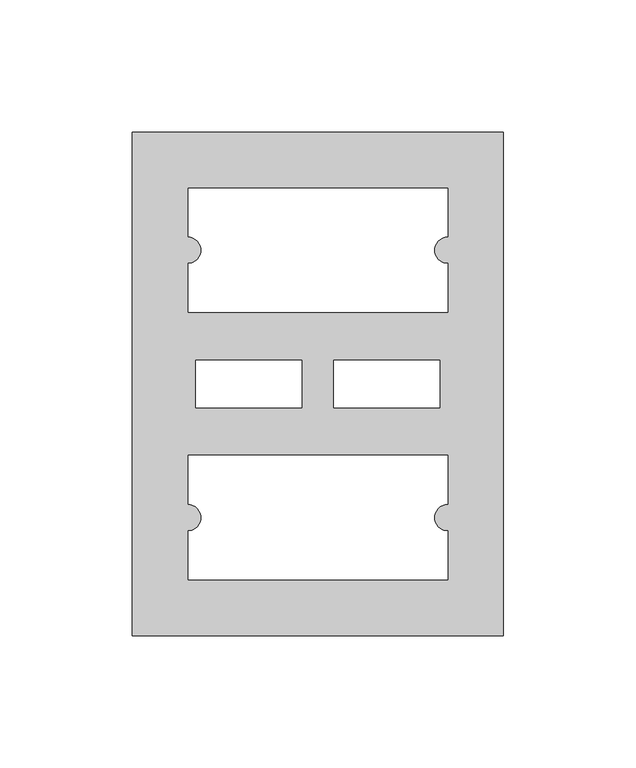
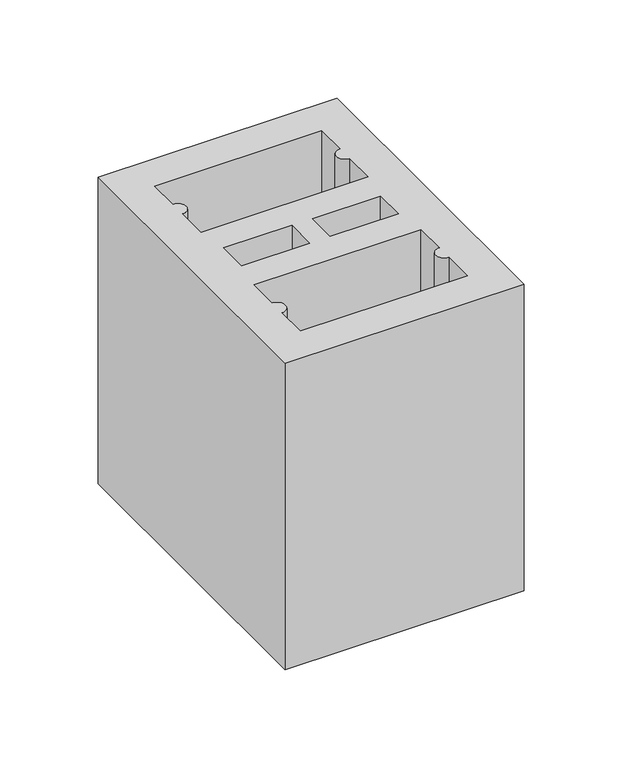
"""IFC4 building model written with IfcOpenShell, lengths in millimetres: proxy geometry."""

from ifc_helpers import new_model, si_unit, point, frame_2d, origin, origin_with_axes, place, context, project, spatial, polyline, circle_curve, trimmed, segment, composite_curve, outline, extrude, source, transform, mapped, element, save


def generic_models_142ee827(model_context):
    return source(origin(), model_context, "Body", "SweptSolid", [
        extrude(outline(polyline([(140.0, 0.0), (0.0, 0.0), (0.0, 190.0), (140.0, 190.0), (140.0, 0.0)]), holes=[polyline([(24.0, 104.0), (24.0, 86.0), (64.0, 86.0), (64.0, 104.0), (24.0, 104.0)]), polyline([(116.0, 104.0), (76.0, 104.0), (76.0, 86.0), (116.0, 86.0), (116.0, 104.0)]), composite_curve([segment(polyline([(119.0, 122.0), (119.0, 140.5)]), True, "CONTINUOUS"), segment(trimmed(circle_curve(frame_2d((119.0, 145.5)), 5.0), [point((119.0, 140.5))], [point((119.0, 150.5))], False, "CARTESIAN"), True, "CONTINUOUS"), segment(polyline([(119.0, 150.5), (119.0, 169.0), (21.0, 169.0), (21.0, 150.5)]), True, "CONTINUOUS"), segment(trimmed(circle_curve(frame_2d((21.0, 145.5)), 5.0), [point((21.0, 150.5))], [point((21.0, 140.5))], False, "CARTESIAN"), True, "CONTINUOUS"), segment(polyline([(21.0, 140.5), (21.0, 122.0), (119.0, 122.0)]), True, "CONTINUOUS")], self_intersect=False), composite_curve([segment(polyline([(119.0, 68.0), (21.0, 68.0), (21.0, 49.5)]), True, "CONTINUOUS"), segment(trimmed(circle_curve(frame_2d((21.0, 44.5)), 5.0), [point((21.0, 49.5))], [point((21.0, 39.5))], False, "CARTESIAN"), True, "CONTINUOUS"), segment(polyline([(21.0, 39.5), (21.0, 21.0), (119.0, 21.0), (119.0, 39.5)]), True, "CONTINUOUS"), segment(trimmed(circle_curve(frame_2d((119.0, 44.5)), 5.0), [point((119.0, 39.5))], [point((119.0, 49.5))], False, "CARTESIAN"), True, "CONTINUOUS"), segment(polyline([(119.0, 49.5), (119.0, 68.0)]), True, "CONTINUOUS")], self_intersect=False)]), origin_with_axes(), (0.0, 0.0, 1.0), 190.0),
    ])


if __name__ == "__main__":
    model = new_model("IFC4")
    model_context = context("Model", 3, world=origin())
    ifc_project = project(units=[si_unit("LENGTHUNIT", "METRE", prefix="MILLI")], contexts=[model_context])
    site = spatial("IfcSite", under=ifc_project)
    building = spatial("IfcBuilding", under=site)
    placement = place(None, origin())
    generic_models_shape = generic_models_142ee827(model_context)
    element("IfcBuildingElementProxy", 1, Name="Generic Models", at=placement, inside=building, context=model_context, shape_type="MappedRepresentation", body=[
        mapped(generic_models_shape, transform((0.0, 0.0, 0.0), x_axis=(1.0, 0.0, 0.0), y_axis=(0.0, 1.0, 0.0), z_axis=(0.0, 0.0, 1.0))),
    ])
    save(model, "model.ifc")
